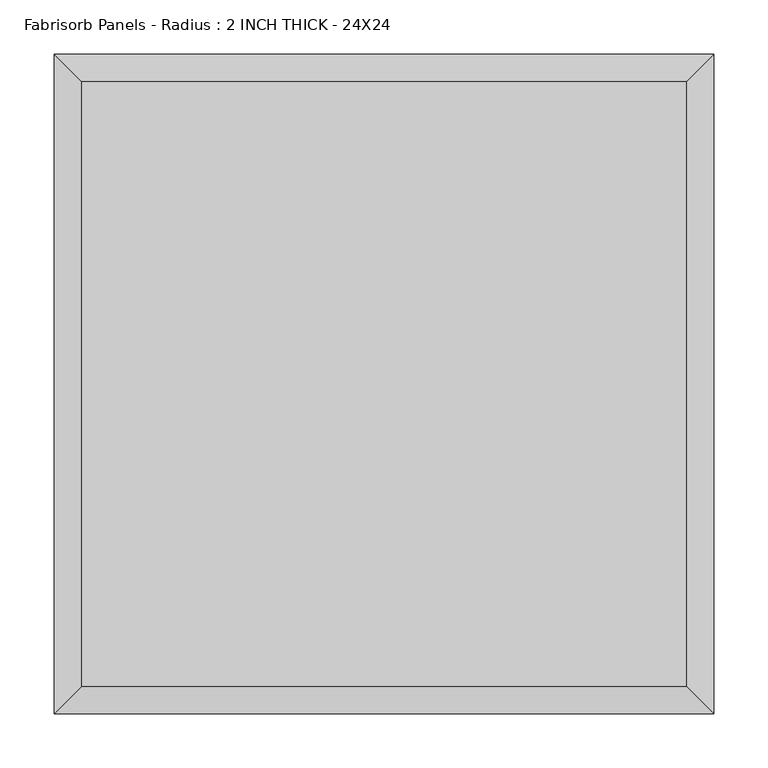
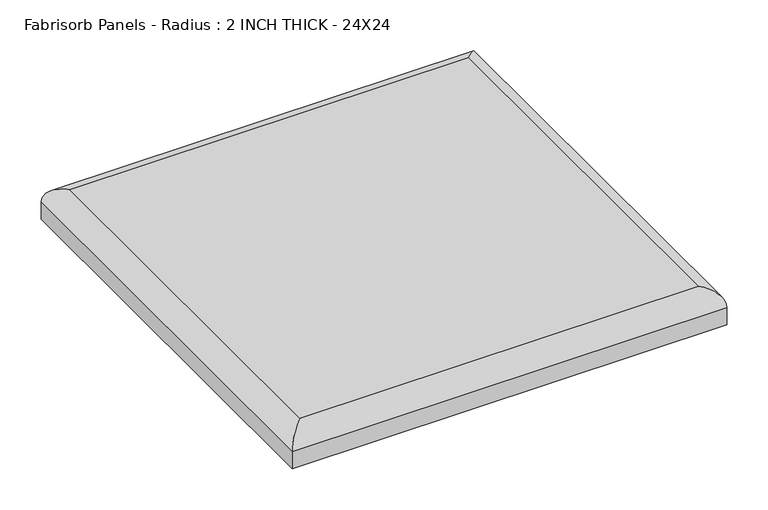
"""IFC4 building model written with IfcOpenShell, lengths in millimetres: proxy geometry, Fabrisorb Panels - Radius : 2 INCH THICK - 24X24."""

from ifc_helpers import new_model, si_unit, frame, origin, place, context, project, spatial, ellipse_curve, source, transform, mapped, element, save
from ifc_brep_helpers import plane_surface, cylinder_surface, advanced_brep


def fabrisorb_panels_radius_2_inch_thick_24x24_b263abbd(model_context):
    return source(origin(), model_context, "Body", "AdvancedBrep", [
        advanced_brep(
        [(279.4, 279.4, 50.8), (-279.4, 279.4, 50.8), (-279.4, -279.4, 50.8), (279.4, -279.4, 50.8), (-304.8, 304.8, 0.0), (304.8, 304.8, 0.0), (304.8, -304.8, 0.0), (-304.8, -304.8, 0.0), (-304.8, -304.8, 25.4), (-304.8, 304.8, 25.4), (304.8, -304.8, 25.4), (304.8, 304.8, 25.4)],
        [
            (0, 1),
            (1, 2),
            (2, 3),
            (3, 0),
            (4, 5),
            (5, 6),
            (6, 7),
            (7, 4),
            (7, 8),
            (8, 9),
            (9, 4),
            (6, 10),
            (10, 8),
            (5, 11),
            (11, 10),
            (9, 11),
            (9, 1, ellipse_curve(frame((-279.4, 279.4, 25.4), z_axis=(0.7071067811865475, 0.7071067811865475, 0.0), x_axis=(-0.7071067811865476, 0.7071067811865474, 0.0)), 35.9210245, 25.4)),
            (0, 11, ellipse_curve(frame((279.4, 279.4, 25.4), z_axis=(-0.7071067811865475, 0.7071067811865475, 0.0), x_axis=(-0.7071067811865476, -0.7071067811865474, 0.0)), 35.9210245, 25.4)),
            (8, 2, ellipse_curve(frame((-279.4, -279.4, 25.4), z_axis=(-0.7071067811865475, 0.7071067811865475, 0.0), x_axis=(-0.7071067811865474, -0.7071067811865476, 0.0)), 35.9210245, 25.4)),
            (10, 3, ellipse_curve(frame((279.4, -279.4, 25.4), z_axis=(-0.7071067811865475, -0.7071067811865475, 0.0), x_axis=(0.7071067811865476, -0.7071067811865474, 0.0)), 35.9210245, 25.4)),
        ],
        [
            plane_surface(frame((-304.8, 304.8, 50.8), z_axis=(0.0, 0.0, 1.0), x_axis=(0.0, -1.0, 0.0))),
            plane_surface(frame((-304.8, 304.8, 0.0), z_axis=(0.0, 0.0, -1.0), x_axis=(0.0, 1.0, 0.0))),
            plane_surface(frame((-304.8, 304.8, 50.8), z_axis=(-1.0, 0.0, 0.0), x_axis=(0.0, 0.0, -1.0))),
            plane_surface(frame((-304.8, -304.8, 50.8), z_axis=(0.0, -1.0, 0.0), x_axis=(0.0, 0.0, -1.0))),
            plane_surface(frame((304.8, -304.8, 50.8), z_axis=(1.0, 0.0, 0.0), x_axis=(0.0, 0.0, -1.0))),
            plane_surface(frame((304.8, 304.8, 50.8), z_axis=(0.0, 1.0, 0.0), x_axis=(0.0, 0.0, -1.0))),
            cylinder_surface(frame((304.8, 279.4, 25.4), z_axis=(-1.0, 0.0, 0.0), x_axis=(0.0, 1.0, 0.0)), 25.4),
            cylinder_surface(frame((-279.4, 304.8, 25.4), z_axis=(0.0, -1.0, 0.0), x_axis=(-1.0, 0.0, 0.0)), 25.4),
            cylinder_surface(frame((-304.8, -279.4, 25.4), z_axis=(1.0, 0.0, 0.0), x_axis=(0.0, -1.0, 0.0)), 25.4),
            cylinder_surface(frame((279.4, -304.8, 25.4), z_axis=(0.0, 1.0, 0.0), x_axis=(1.0, 0.0, 0.0)), 25.4),
        ],
        [
            (0, [[1, 2, 3, 4]]),
            (1, [[5, 6, 7, 8]]),
            (2, [[-8, 9, 10, 11]]),
            (3, [[-7, 12, 13, -9]]),
            (4, [[-6, 14, 15, -12]]),
            (5, [[-5, -11, 16, -14]]),
            (6, [[17, -1, 18, -16]]),
            (7, [[-17, -10, 19, -2]]),
            (8, [[-19, -13, 20, -3]]),
            (9, [[-18, -4, -20, -15]]),
        ],
    ),
    ])


if __name__ == "__main__":
    model = new_model("IFC4")
    model_context = context("Model", 3, world=origin())
    ifc_project = project(units=[si_unit("LENGTHUNIT", "METRE", prefix="MILLI")], contexts=[model_context])
    site = spatial("IfcSite", under=ifc_project)
    building = spatial("IfcBuilding", under=site)
    placement = place(None, origin())
    fabrisorb_panels_radius_2_inch_thick_24x24_shape = fabrisorb_panels_radius_2_inch_thick_24x24_b263abbd(model_context)
    element("IfcBuildingElementProxy", 1, Name="Fabrisorb Panels - Radius : 2 INCH THICK - 24X24", ObjectType="Fabrisorb Panels - Radius : 2 INCH THICK - 24X24", at=placement, inside=building, context=model_context, shape_type="MappedRepresentation", body=[
        mapped(fabrisorb_panels_radius_2_inch_thick_24x24_shape, transform((0.0, 0.0, 0.0), x_axis=(1.0, 0.0, 0.0), y_axis=(0.0, 1.0, 0.0), z_axis=(0.0, 0.0, 1.0))),
    ])
    save(model, "model.ifc")
